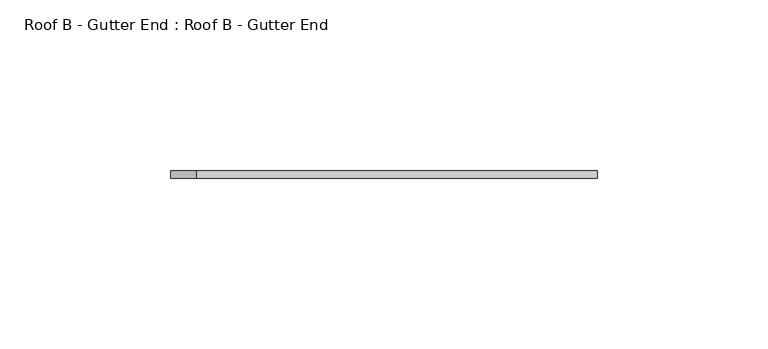
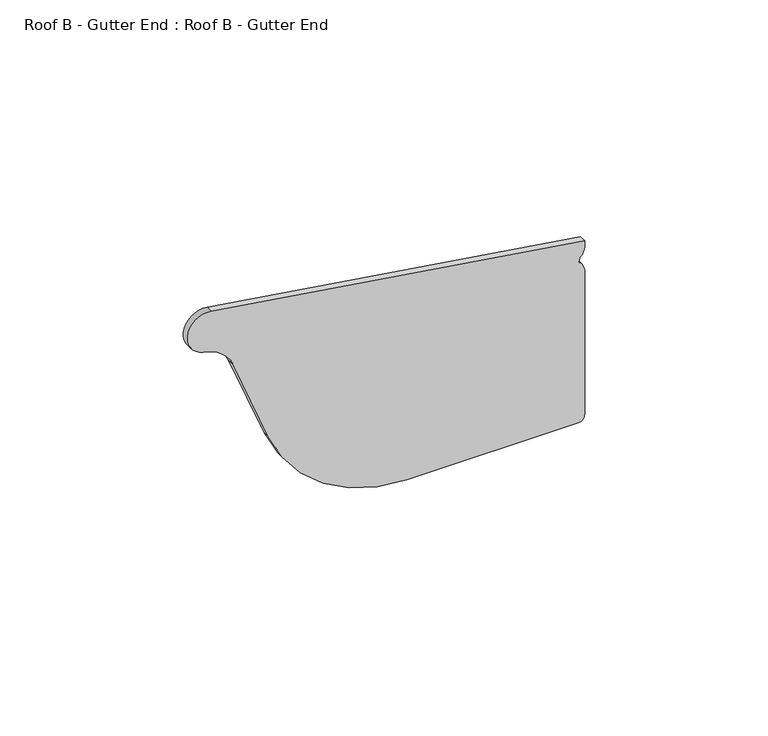
"""IFC4 building model written with IfcOpenShell, lengths in millimetres: proxy geometry, Roof B - Gutter End : Roof B - Gutter End."""

from ifc_helpers import new_model, si_unit, point, frame, frame_2d, origin, place, context, project, spatial, polyline, circle_curve, trimmed, segment, composite_curve, outline, extrude, source, transform, mapped, element, save


def roof_b_gutter_end_roof_b_gutter_end_19e3e555(model_context):
    return source(origin(), model_context, "Body", "SweptSolid", [
        extrude(outline(composite_curve([segment(polyline([(3150.6763391, -621.1266774), (3150.6763391, -567.1266774)]), True, "CONTINUOUS"), segment(trimmed(circle_curve(frame_2d((3152.6763391, -567.1266774)), 2.0), [point((3150.6763391, -567.1266774))], [point((3152.6763391, -565.1266774))], False, "CARTESIAN"), True, "CONTINUOUS"), segment(polyline([(3152.6763391, -565.1266774), (3200.6370105, -565.1266774)]), True, "CONTINUOUS"), segment(trimmed(circle_curve(frame_2d((3200.5307477, -569.4353399)), 4.3099726), [point((3200.6370105, -565.1266774))], [point((3203.6002352, -566.4097638))], False, "CARTESIAN"), True, "CONTINUOUS"), segment(trimmed(circle_curve(frame_2d((3204.6002352, -565.4240696)), 1.4041343), [point((3203.6002352, -566.4097638))], [point((3205.6002352, -566.4097638))], True, "CARTESIAN"), True, "CONTINUOUS"), segment(trimmed(circle_curve(frame_2d((3208.6697226, -569.4353399)), 4.3099726), [point((3205.6002352, -566.4097638))], [point((3208.5634599, -565.1266774))], False, "CARTESIAN"), True, "CONTINUOUS"), segment(polyline([(3208.5634599, -565.1266774), (3210.5885717, -565.1266774), (3228.218254, -682.6530806)]), True, "CONTINUOUS"), segment(trimmed(circle_curve(frame_2d((3221.7817717, -683.6185925)), 6.5084958), [point((3228.218254, -682.6530806))], [point((3215.4719989, -685.2146141))], False, "CARTESIAN"), True, "CONTINUOUS"), segment(trimmed(circle_curve(frame_2d((3203.6974373, -686.8064504)), 11.8816767), [point((3215.4719989, -685.2146141))], [point((3208.0905136, -675.7667438))], True, "CARTESIAN"), True, "CONTINUOUS"), segment(polyline([(3208.0905136, -675.7667438), (3180.2164005, -664.6746825)]), True, "CONTINUOUS"), segment(trimmed(circle_curve(frame_2d((3197.5456386, -621.1266774)), 46.8692995), [point((3180.2164005, -664.6746825))], [point((3150.6763391, -621.1266774))], False, "CARTESIAN"), True, "CONTINUOUS")], self_intersect=False)), frame((0.0, -77.0, 0.0), z_axis=(0.0, 1.0, 0.0), x_axis=(0.0, 0.0, 1.0)), (0.0, 0.0, 1.0), 2.2149942),
    ])


if __name__ == "__main__":
    model = new_model("IFC4")
    model_context = context("Model", 3, world=origin())
    ifc_project = project(units=[si_unit("LENGTHUNIT", "METRE", prefix="MILLI")], contexts=[model_context])
    site = spatial("IfcSite", under=ifc_project)
    building = spatial("IfcBuilding", under=site)
    placement = place(None, origin())
    roof_b_gutter_end_roof_b_gutter_end_shape = roof_b_gutter_end_roof_b_gutter_end_19e3e555(model_context)
    element("IfcBuildingElementProxy", 1, Name="Roof B - Gutter End : Roof B - Gutter End", ObjectType="Roof B - Gutter End : Roof B - Gutter End", at=placement, inside=building, context=model_context, shape_type="MappedRepresentation", body=[
        mapped(roof_b_gutter_end_roof_b_gutter_end_shape, transform((0.0, 0.0, 0.0), x_axis=(1.0, 0.0, 0.0), y_axis=(0.0, 1.0, 0.0), z_axis=(0.0, 0.0, 1.0))),
    ])
    save(model, "model.ifc")
